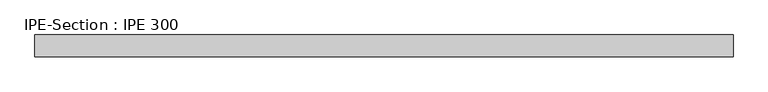
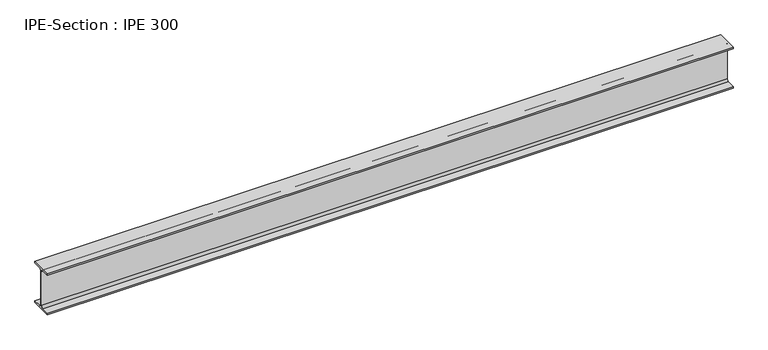
"""IFC4 building model written with IfcOpenShell, lengths in millimetres: beam geometry, IPE-Section : IPE 300."""

from ifc_helpers import new_model, si_unit, point, frame, frame_2d, origin, place, context, project, spatial, polyline, circle_curve, trimmed, segment, composite_curve, outline, extrude, source, transform, mapped, element, save


def ipe_section_ipe_300_2ac4d7c4(model_context):
    return source(origin(), model_context, "Body", "SweptSolid", [
        extrude(outline(composite_curve([segment(polyline([(75.0, -139.3), (75.0, -150.0), (-75.0, -150.0), (-75.0, -139.3), (-18.55, -139.3)]), True, "CONTINUOUS"), segment(trimmed(circle_curve(frame_2d((-18.55, -124.3)), 15.0), [point((-18.55, -139.3))], [point((-3.55, -124.3))], True, "CARTESIAN"), True, "CONTINUOUS"), segment(polyline([(-3.55, -124.3), (-3.55, 124.3)]), True, "CONTINUOUS"), segment(trimmed(circle_curve(frame_2d((-18.55, 124.3)), 15.0), [point((-3.55, 124.3))], [point((-18.55, 139.3))], True, "CARTESIAN"), True, "CONTINUOUS"), segment(polyline([(-18.55, 139.3), (-75.0, 139.3), (-75.0, 150.0), (75.0, 150.0), (75.0, 139.3), (18.55, 139.3)]), True, "CONTINUOUS"), segment(trimmed(circle_curve(frame_2d((18.55, 124.3)), 15.0), [point((18.55, 139.3))], [point((3.55, 124.3))], True, "CARTESIAN"), True, "CONTINUOUS"), segment(polyline([(3.55, 124.3), (3.55, -124.3)]), True, "CONTINUOUS"), segment(trimmed(circle_curve(frame_2d((18.55, -124.3)), 15.0), [point((3.55, -124.3))], [point((18.55, -139.3))], True, "CARTESIAN"), True, "CONTINUOUS"), segment(polyline([(18.55, -139.3), (75.0, -139.3)]), True, "CONTINUOUS")], self_intersect=False)), frame((-2371.2399695, 0.0, 0.0), z_axis=(1.0, 0.0, 0.0), x_axis=(0.0, 1.0, 0.0)), (0.0, 0.0, 1.0), 4771.9093563),
    ])


if __name__ == "__main__":
    model = new_model("IFC4")
    model_context = context("Model", 3, world=origin())
    ifc_project = project(units=[si_unit("LENGTHUNIT", "METRE", prefix="MILLI")], contexts=[model_context])
    site = spatial("IfcSite", under=ifc_project)
    building = spatial("IfcBuilding", under=site)
    placement = place(None, origin())
    ipe_section_ipe_300_shape = ipe_section_ipe_300_2ac4d7c4(model_context)
    element("IfcBeam", 1, ObjectType="IPE-Section : IPE 300", at=placement, inside=building, context=model_context, shape_type="MappedRepresentation", body=[
        mapped(ipe_section_ipe_300_shape, transform((0.0, 0.0, 0.0), x_axis=(1.0, 0.0, 0.0), y_axis=(0.0, 1.0, 0.0), z_axis=(0.0, 0.0, 1.0))),
    ])
    save(model, "model.ifc")
